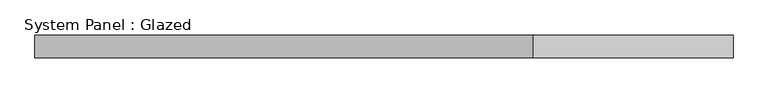
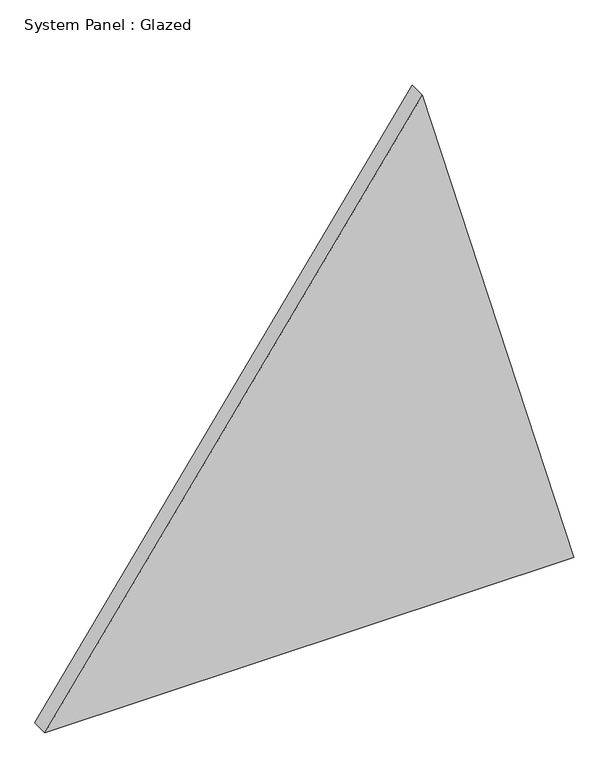
"""IFC4 building model written with IfcOpenShell, lengths in millimetres: plate geometry, System Panel : Glazed."""

from ifc_helpers import new_model, si_unit, frame, origin, place, context, project, spatial, polyline, outline, extrude, source, transform, mapped, element, save


def system_panel_glazed_09f26c0a(model_context):
    return source(origin(), model_context, "Body", "SweptSolid", [
        extrude(outline(polyline([(0.0, -548.8915861), (0.0, 548.8915861), (1125.7790549, 234.600308), (0.0, -548.8915861)])), frame((0.0, -18.0, 0.0), z_axis=(0.0, 1.0, 0.0), x_axis=(0.0, 0.0, 1.0)), (0.0, 0.0, 1.0), 36.0),
    ])


if __name__ == "__main__":
    model = new_model("IFC4")
    model_context = context("Model", 3, world=origin())
    ifc_project = project(units=[si_unit("LENGTHUNIT", "METRE", prefix="MILLI")], contexts=[model_context])
    site = spatial("IfcSite", under=ifc_project)
    building = spatial("IfcBuilding", under=site)
    placement = place(None, origin())
    system_panel_glazed_shape = system_panel_glazed_09f26c0a(model_context)
    element("IfcPlate", 1, ObjectType="System Panel : Glazed", at=placement, inside=building, context=model_context, shape_type="MappedRepresentation", body=[
        mapped(system_panel_glazed_shape, transform((0.0, 0.0, 0.0), x_axis=(1.0, 0.0, 0.0), y_axis=(0.0, 1.0, 0.0), z_axis=(0.0, 0.0, 1.0))),
    ])
    save(model, "model.ifc")
